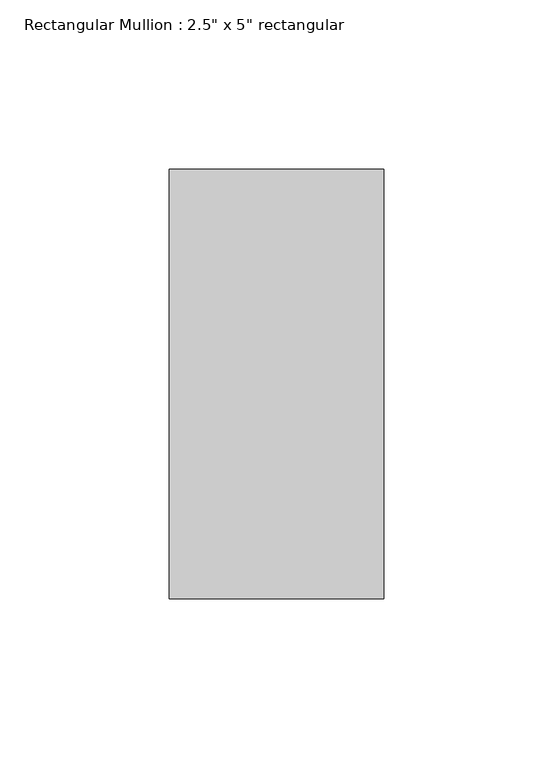
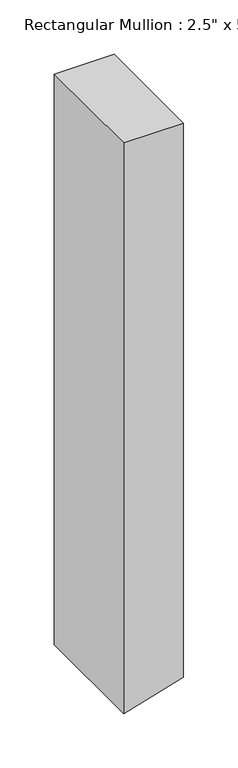
"""IFC4 building model written with IfcOpenShell, lengths in millimetres: member geometry."""

from ifc_helpers import new_model, si_unit, frame, origin, place, context, project, spatial, polyline, outline, extrude, source, transform, mapped, element, save


def member_dc1415fe(model_context):
    return source(origin(), model_context, "Body", "SweptSolid", [
        extrude(outline(polyline([(0.0, 31.75), (0.0, -31.75), (-639.9198719, -31.75), (-635.8538871, -17.9669194), (-621.1874823, 31.75), (0.0, 31.75)])), frame((0.0, -63.5, 0.0), z_axis=(0.0, 1.0, 0.0), x_axis=(0.0, 0.0, 1.0)), (0.0, 0.0, 1.0), 127.0),
    ])


if __name__ == "__main__":
    model = new_model("IFC4")
    model_context = context("Model", 3, world=origin())
    ifc_project = project(units=[si_unit("LENGTHUNIT", "METRE", prefix="MILLI")], contexts=[model_context])
    site = spatial("IfcSite", under=ifc_project)
    building = spatial("IfcBuilding", under=site)
    placement = place(None, origin())
    member_shape = member_dc1415fe(model_context)
    element("IfcMember", 1, ObjectType="Rectangular Mullion : 2.5\" x 5\" rectangular", at=placement, inside=building, context=model_context, shape_type="MappedRepresentation", body=[
        mapped(member_shape, transform((0.0, 0.0, 0.0), x_axis=(1.0, 0.0, 0.0), y_axis=(0.0, 1.0, 0.0), z_axis=(0.0, 0.0, 1.0))),
    ])
    save(model, "model.ifc")
